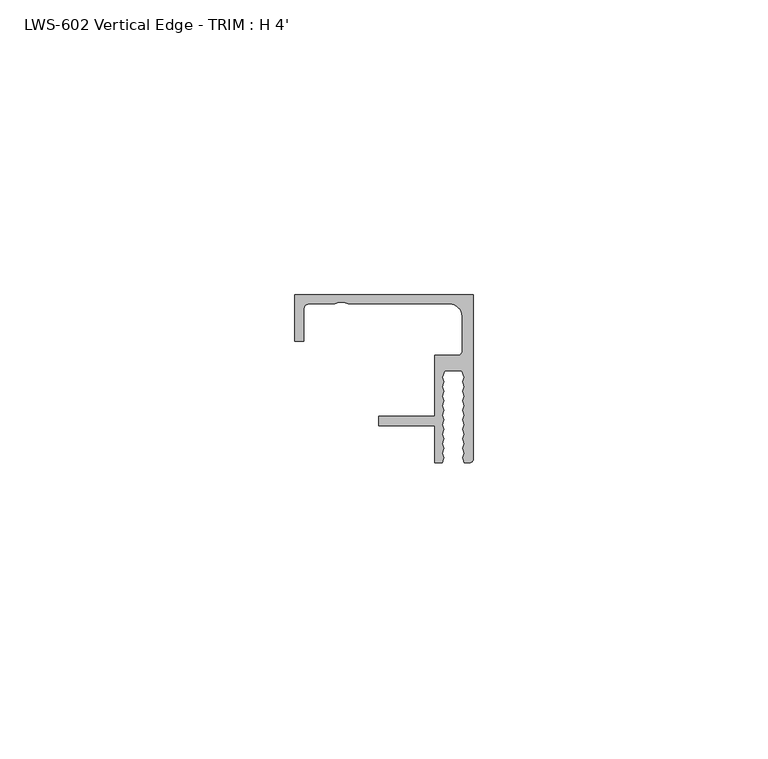
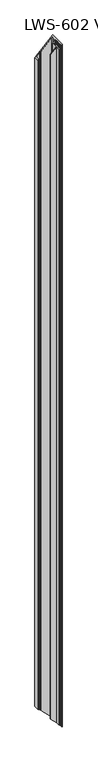
"""IFC4 building model written with IfcOpenShell, lengths in millimetres: proxy geometry, LWS-602 Vertical Edge - TRIM : H 4'."""

from ifc_helpers import new_model, si_unit, frame, origin, place, context, project, spatial, polyline, ellipse_curve, source, transform, mapped, element, save
from ifc_brep_helpers import plane_surface, cylinder_surface, revolved_surface, advanced_brep


def lws_602_vertical_edge_trim_h_4_e7298da0(model_context):
    return source(origin(), model_context, "Body", "AdvancedBrep", [
        advanced_brep(
        [(-28.7541017, -2.38252, 1190.4458983), (-28.7541017, -2.38252, 28.7541017), (-27.9590817, -1.5875, 27.9590817), (-27.9590817, -1.5875, 1191.2409183), (-23.5481533, -1.5875, 23.5481533), (-23.5481533, -1.5875, 1195.6518467), (-22.8349382, -1.2699562, 22.8349382), (-22.8349382, -1.2699562, 1196.3650618), (-21.9732651, -1.2699562, 21.9732651), (-21.9732651, -1.2699562, 1197.2267349), (-21.26005, -1.5875, 21.26005), (-21.26005, -1.5875, 1197.93995), (-4.0118983, -1.5875, 4.0118983), (-4.0118983, -1.5875, 1215.1881017), (-1.9163983, -3.683, 1.9163983), (-1.9163983, -3.683, 1217.2836017), (-1.9163983, -9.525, 1.9163983), (-1.9163983, -9.525, 1217.2836017), (-2.7114183, -10.32002, 2.7114183), (-2.7114183, -10.32002, 1216.4885817), (-6.5291017, -10.32002, 6.5291017), (-6.5291017, -10.32002, 1212.6708983), (-6.5291017, -20.6375, 6.5291017), (-6.5291017, -20.6375, 1212.6708983), (-16.0541017, -20.6375, 16.0541017), (-16.0541017, -20.6375, 1203.1458983), (-16.0541017, -22.225, 16.0541017), (-16.0541017, -22.225, 1203.1458983), (-6.5291017, -22.225, 6.5291017), (-6.5291017, -22.225, 1212.6708983), (-6.5291017, -28.575, 6.5291017), (-6.5291017, -28.575, 1212.6708983), (-5.2704999, -28.575, 5.2704999), (-5.2704999, -28.575, 1213.9295001), (-5.0164999, -27.727801, 5.0164999), (-5.0164999, -27.727801, 1214.1835001), (-5.2704999, -26.9589275, 5.2704999), (-5.2704999, -26.9589275, 1213.9295001), (-5.0164999, -26.1117286, 5.0164999), (-5.0164999, -26.1117286, 1214.1835001), (-5.2704999, -25.3428551, 5.2704999), (-5.2704999, -25.3428551, 1213.9295001), (-5.0164999, -24.4956561, 5.0164999), (-5.0164999, -24.4956561, 1214.1835001), (-5.2704999, -23.7267826, 5.2704999), (-5.2704999, -23.7267826, 1213.9295001), (-5.0164999, -22.8795836, 5.0164999), (-5.0164999, -22.8795836, 1214.1835001), (-5.2704999, -22.1107101, 5.2704999), (-5.2704999, -22.1107101, 1213.9295001), (-5.0164999, -21.2635111, 5.0164999), (-5.0164999, -21.2635111, 1214.1835001), (-5.2704999, -20.4946376, 5.2704999), (-5.2704999, -20.4946376, 1213.9295001), (-5.0164999, -19.6474387, 5.0164999), (-5.0164999, -19.6474387, 1214.1835001), (-5.2704999, -18.8785651, 5.2704999), (-5.2704999, -18.8785651, 1213.9295001), (-5.0164999, -18.0313662, 5.0164999), (-5.0164999, -18.0313662, 1214.1835001), (-5.2704999, -17.2624927, 5.2704999), (-5.2704999, -17.2624927, 1213.9295001), (-5.0164999, -16.4152937, 5.0164999), (-5.0164999, -16.4152937, 1214.1835001), (-5.2704999, -15.6464202, 5.2704999), (-5.2704999, -15.6464202, 1213.9295001), (-5.0164999, -14.7992212, 5.0164999), (-5.0164999, -14.7992212, 1214.1835001), (-5.2704999, -14.0303477, 5.2704999), (-5.2704999, -14.0303477, 1213.9295001), (-4.8894997, -12.954, 4.8894997), (-4.8894997, -12.954, 1214.3105003), (-1.9685003, -12.954, 1.9685003), (-1.9685003, -12.954, 1217.2314997), (-1.5875, -14.0303477, 1.5875), (-1.5875, -14.0303477, 1217.6125), (-1.8415, -14.7992212, 1.8415), (-1.8415, -14.7992212, 1217.3585), (-1.5875, -15.6464202, 1.5875), (-1.5875, -15.6464202, 1217.6125), (-1.8415, -16.4152937, 1.8415), (-1.8415, -16.4152937, 1217.3585), (-1.5875, -17.2624927, 1.5875), (-1.5875, -17.2624927, 1217.6125), (-1.8415, -18.0313662, 1.8415), (-1.8415, -18.0313662, 1217.3585), (-1.5875, -18.8785651, 1.5875), (-1.5875, -18.8785651, 1217.6125), (-1.8415, -19.6474387, 1.8415), (-1.8415, -19.6474387, 1217.3585), (-1.5875, -20.4946376, 1.5875), (-1.5875, -20.4946376, 1217.6125), (-1.8415, -21.2635111, 1.8415), (-1.8415, -21.2635111, 1217.3585), (-1.5875, -22.1107101, 1.5875), (-1.5875, -22.1107101, 1217.6125), (-1.8415, -22.8795836, 1.8415), (-1.8415, -22.8795836, 1217.3585), (-1.5875, -23.7267826, 1.5875), (-1.5875, -23.7267826, 1217.6125), (-1.8415, -24.4956561, 1.8415), (-1.8415, -24.4956561, 1217.3585), (-1.5875, -25.3428551, 1.5875), (-1.5875, -25.3428551, 1217.6125), (-1.8415, -26.1117286, 1.8415), (-1.8415, -26.1117286, 1217.3585), (-1.5875, -26.9589275, 1.5875), (-1.5875, -26.9589275, 1217.6125), (-1.8415, -27.727801, 1.8415), (-1.8415, -27.727801, 1217.3585), (-1.5875, -28.575, 1.5875), (-1.5875, -28.575, 1217.6125), (-0.79502, -28.575, 0.79502), (-0.79502, -28.575, 1218.40498), (0.0, -27.77998, 0.0), (0.0, -27.77998, 1219.2), (0.0, 0.0, 0.0), (0.0, 0.0, 1219.2), (-30.3416017, 0.0, 30.3416017), (-30.3416017, 0.0, 1188.8583983), (-30.3416017, -7.9375, 30.3416017), (-30.3416017, -7.9375, 1188.8583983), (-28.7541017, -7.9375, 28.7541017), (-28.7541017, -7.9375, 1190.4458983)],
        [
            (0, 1),
            (1, 2, ellipse_curve(frame((-27.9590817, -2.38252, 27.9590817), z_axis=(-0.7071067811865491, 0.0, -0.7071067811865459), x_axis=(0.707106781186546, 0.0, -0.707106781186549)), 1.1243281, 0.79502)),
            (2, 3),
            (3, 0, ellipse_curve(frame((-27.9590817, -2.38252, 1191.2409183), z_axis=(-0.7071067811865499, 0.0, 0.7071067811865452), x_axis=(-0.7071067811865454, 0.0, -0.7071067811865498)), 1.1243281, 0.79502)),
            (2, 4),
            (4, 5),
            (5, 3),
            (4, 6),
            (6, 7),
            (7, 5),
            (6, 8),
            (8, 9),
            (9, 7),
            (8, 10),
            (10, 11),
            (11, 9),
            (10, 12),
            (12, 13),
            (13, 11),
            (12, 14, ellipse_curve(frame((-4.0118983, -3.683, 4.0118983), z_axis=(-0.7071067811865491, 0.0, -0.7071067811865459), x_axis=(0.707106781186546, 0.0, -0.707106781186549)), 2.9634845, 2.0955)),
            (14, 15),
            (15, 13, ellipse_curve(frame((-4.0118983, -3.683, 1215.1881017), z_axis=(-0.7071067811865499, 0.0, 0.7071067811865452), x_axis=(-0.7071067811865454, 0.0, -0.7071067811865498)), 2.9634845, 2.0955)),
            (14, 16),
            (16, 17),
            (17, 15),
            (16, 18, ellipse_curve(frame((-2.7114183, -9.525, 2.7114183), z_axis=(-0.7071067811865491, 0.0, -0.7071067811865459), x_axis=(0.707106781186546, 0.0, -0.707106781186549)), 1.1243281, 0.79502)),
            (18, 19),
            (19, 17, ellipse_curve(frame((-2.7114183, -9.525, 1216.4885817), z_axis=(-0.7071067811865499, 0.0, 0.7071067811865452), x_axis=(-0.7071067811865454, 0.0, -0.7071067811865498)), 1.1243281, 0.79502)),
            (18, 20),
            (20, 21),
            (21, 19),
            (20, 22),
            (22, 23),
            (23, 21),
            (22, 24),
            (24, 25),
            (25, 23),
            (24, 26),
            (26, 27),
            (27, 25),
            (26, 28),
            (28, 29),
            (29, 27),
            (28, 30),
            (30, 31),
            (31, 29),
            (30, 32),
            (32, 33),
            (33, 31),
            (32, 34),
            (34, 35),
            (35, 33),
            (34, 36),
            (36, 37),
            (37, 35),
            (36, 38),
            (38, 39),
            (39, 37),
            (38, 40),
            (40, 41),
            (41, 39),
            (40, 42),
            (42, 43),
            (43, 41),
            (42, 44),
            (44, 45),
            (45, 43),
            (44, 46),
            (46, 47),
            (47, 45),
            (46, 48),
            (48, 49),
            (49, 47),
            (48, 50),
            (50, 51),
            (51, 49),
            (50, 52),
            (52, 53),
            (53, 51),
            (52, 54),
            (54, 55),
            (55, 53),
            (54, 56),
            (56, 57),
            (57, 55),
            (56, 58),
            (58, 59),
            (59, 57),
            (58, 60),
            (60, 61),
            (61, 59),
            (60, 62),
            (62, 63),
            (63, 61),
            (62, 64),
            (64, 65),
            (65, 63),
            (64, 66),
            (66, 67),
            (67, 65),
            (66, 68),
            (68, 69),
            (69, 67),
            (68, 70),
            (70, 71),
            (71, 69),
            (70, 72),
            (72, 73),
            (73, 71),
            (72, 74),
            (74, 75),
            (75, 73),
            (74, 76),
            (76, 77),
            (77, 75),
            (76, 78),
            (78, 79),
            (79, 77),
            (78, 80),
            (80, 81),
            (81, 79),
            (80, 82),
            (82, 83),
            (83, 81),
            (82, 84),
            (84, 85),
            (85, 83),
            (84, 86),
            (86, 87),
            (87, 85),
            (86, 88),
            (88, 89),
            (89, 87),
            (88, 90),
            (90, 91),
            (91, 89),
            (90, 92),
            (92, 93),
            (93, 91),
            (92, 94),
            (94, 95),
            (95, 93),
            (94, 96),
            (96, 97),
            (97, 95),
            (96, 98),
            (98, 99),
            (99, 97),
            (98, 100),
            (100, 101),
            (101, 99),
            (100, 102),
            (102, 103),
            (103, 101),
            (102, 104),
            (104, 105),
            (105, 103),
            (104, 106),
            (106, 107),
            (107, 105),
            (106, 108),
            (108, 109),
            (109, 107),
            (108, 110),
            (110, 111),
            (111, 109),
            (110, 112),
            (112, 113),
            (113, 111),
            (114, 115),
            (115, 113, ellipse_curve(frame((-0.79502, -27.77998, 1218.40498), z_axis=(0.7071067811865499, 0.0, -0.7071067811865452), x_axis=(0.7071067811865454, 0.0, 0.7071067811865498)), 1.1243281, 0.79502)),
            (112, 114, ellipse_curve(frame((-0.79502, -27.77998, 0.79502), z_axis=(0.7071067811865491, 0.0, 0.7071067811865459), x_axis=(-0.707106781186546, 0.0, 0.707106781186549)), 1.1243281, 0.79502)),
            (114, 116),
            (116, 117),
            (117, 115),
            (116, 118),
            (118, 119),
            (119, 117),
            (118, 120),
            (120, 121),
            (121, 119),
            (120, 122),
            (122, 123),
            (123, 121),
            (0, 123),
            (122, 1),
        ],
        [
            revolved_surface(polyline([(-27.9590817, -3.17754, 27.16406167621141), (-27.9590817, -3.17754, 1192.0359383237885)]), (-27.9590817, -2.38252, 0.0), (0.0, 0.0, -1.0)),
            plane_surface(frame((-27.9590817, -1.5875, 1219.2), z_axis=(0.0, -1.0, 0.0), x_axis=(0.0, 0.0, -1.0))),
            plane_surface(frame((-23.5481533, -1.5875, 1219.2), z_axis=(0.40673664307580587, -0.9135454576425984, 0.0), x_axis=(0.0, 0.0, -1.0))),
            plane_surface(frame((-22.8349382, -1.2699562, 1219.2), z_axis=(0.0, -1.0, 0.0), x_axis=(0.0, 0.0, -1.0))),
            plane_surface(frame((-21.9732651, -1.2699562, 1219.2), z_axis=(-0.4067366430757954, -0.9135454576426031, 0.0), x_axis=(0.0, 0.0, -1.0))),
            plane_surface(frame((-21.26005, -1.5875, 1219.2), z_axis=(0.0, -1.0, 0.0), x_axis=(0.0, 0.0, -1.0))),
            revolved_surface(polyline([(-4.0118983, -5.778499999999999, 1.9163983), (-4.0118983, -5.778499999999999, 1217.2836017)]), (-4.0118983, -3.683, 0.0), (0.0, 0.0, -1.0)),
            plane_surface(frame((-1.9163983, -3.683, 1219.2), z_axis=(-1.0, 0.0, 0.0), x_axis=(0.0, 0.0, -1.0))),
            revolved_surface(polyline([(-2.7114183, -10.32002, 1.9163982762114116), (-2.7114183, -10.32002, 1217.2836017237885)]), (-2.7114183, -9.525, 0.0), (0.0, 0.0, -1.0)),
            plane_surface(frame((-2.7114183, -10.32002, 1219.2), z_axis=(0.0, 1.0, 0.0), x_axis=(0.0, 0.0, -1.0))),
            plane_surface(frame((-6.5291017, -10.32002, 1219.2), z_axis=(-1.0, 0.0, 0.0), x_axis=(0.0, 0.0, -1.0))),
            plane_surface(frame((-6.5291017, -20.6375, 1219.2), z_axis=(0.0, 1.0, 0.0), x_axis=(0.0, 0.0, -1.0))),
            plane_surface(frame((-16.0541017, -20.6375, 1219.2), z_axis=(-1.0, 0.0, 0.0), x_axis=(0.0, 0.0, -1.0))),
            plane_surface(frame((-16.0541017, -22.225, 1219.2), z_axis=(0.0, -1.0, 0.0), x_axis=(0.0, 0.0, -1.0))),
            plane_surface(frame((-6.5291017, -22.225, 1219.2), z_axis=(-1.0, 0.0, 0.0), x_axis=(0.0, 0.0, -1.0))),
            plane_surface(frame((-6.5291017, -28.575, 1219.2), z_axis=(0.0, -1.0, 0.0), x_axis=(0.0, 0.0, -1.0))),
            plane_surface(frame((-5.2704999, -28.575, 1219.2), z_axis=(0.957875962978806, -0.287182241002861, 0.0), x_axis=(0.0, 0.0, -1.0))),
            plane_surface(frame((-5.0164999, -27.727801, 1219.2), z_axis=(0.949528731650732, 0.3136800723185204, 0.0), x_axis=(0.0, 0.0, -1.0))),
            plane_surface(frame((-5.2704999, -26.9589275, 1219.2), z_axis=(0.957875962978805, -0.28718224100286405, 0.0), x_axis=(0.0, 0.0, -1.0))),
            plane_surface(frame((-5.0164999, -26.1117286, 1219.2), z_axis=(0.9495287316507326, 0.3136800723185187, 0.0), x_axis=(0.0, 0.0, -1.0))),
            plane_surface(frame((-5.2704999, -25.3428551, 1219.2), z_axis=(0.9578759629788051, -0.287182241002864, 0.0), x_axis=(0.0, 0.0, -1.0))),
            plane_surface(frame((-5.0164999, -24.4956561, 1219.2), z_axis=(0.9495287316507325, 0.31368007231851897, 0.0), x_axis=(0.0, 0.0, -1.0))),
            plane_surface(frame((-5.2704999, -23.7267826, 1219.2), z_axis=(0.9578759629788056, -0.28718224100286194, 0.0), x_axis=(0.0, 0.0, -1.0))),
            plane_surface(frame((-5.0164999, -22.8795836, 1219.2), z_axis=(0.9495287316507326, 0.3136800723185189, 0.0), x_axis=(0.0, 0.0, -1.0))),
            plane_surface(frame((-5.2704999, -22.1107101, 1219.2), z_axis=(0.9578759629788056, -0.2871822410028619, 0.0), x_axis=(0.0, 0.0, -1.0))),
            plane_surface(frame((-5.0164999, -21.2635111, 1219.2), z_axis=(0.9495287316507327, 0.3136800723185185, 0.0), x_axis=(0.0, 0.0, -1.0))),
            plane_surface(frame((-5.2704999, -20.4946376, 1219.2), z_axis=(0.9578759629788056, -0.2871822410028621, 0.0), x_axis=(0.0, 0.0, -1.0))),
            plane_surface(frame((-5.0164999, -19.6474387, 1219.2), z_axis=(0.9495287316507324, 0.31368007231851935, 0.0), x_axis=(0.0, 0.0, -1.0))),
            plane_surface(frame((-5.2704999, -18.8785651, 1219.2), z_axis=(0.9578759629788055, -0.28718224100286227, 0.0), x_axis=(0.0, 0.0, -1.0))),
            plane_surface(frame((-5.0164999, -18.0313662, 1219.2), z_axis=(0.9495287316507325, 0.3136800723185189, 0.0), x_axis=(0.0, 0.0, -1.0))),
            plane_surface(frame((-5.2704999, -17.2624927, 1219.2), z_axis=(0.9578759629788055, -0.2871822410028625, 0.0), x_axis=(0.0, 0.0, -1.0))),
            plane_surface(frame((-5.0164999, -16.4152937, 1219.2), z_axis=(0.9495287316507325, 0.313680072318519, 0.0), x_axis=(0.0, 0.0, -1.0))),
            plane_surface(frame((-5.2704999, -15.6464202, 1219.2), z_axis=(0.9578759629788056, -0.28718224100286194, 0.0), x_axis=(0.0, 0.0, -1.0))),
            plane_surface(frame((-5.0164999, -14.7992212, 1219.2), z_axis=(0.9495287316507324, 0.3136800723185193, 0.0), x_axis=(0.0, 0.0, -1.0))),
            plane_surface(frame((-5.2704999, -14.0303477, 1219.2), z_axis=(0.9426840486106628, -0.33368665615365817, 0.0), x_axis=(0.0, 0.0, -1.0))),
            plane_surface(frame((-4.8894997, -12.954, 1219.2), z_axis=(0.0, -1.0, 0.0), x_axis=(0.0, 0.0, -1.0))),
            plane_surface(frame((-1.9685003, -12.954, 1219.2), z_axis=(-0.9426840486106589, -0.33368665615366894, 0.0), x_axis=(0.0, 0.0, -1.0))),
            plane_surface(frame((-1.5875, -14.0303477, 1219.2), z_axis=(-0.949528731650736, 0.3136800723185085, 0.0), x_axis=(0.0, 0.0, -1.0))),
            plane_surface(frame((-1.8415, -14.7992212, 1219.2), z_axis=(-0.9578759629788021, -0.2871822410028738, 0.0), x_axis=(0.0, 0.0, -1.0))),
            plane_surface(frame((-1.5875, -15.6464202, 1219.2), z_axis=(-0.9495287316507361, 0.3136800723185079, 0.0), x_axis=(0.0, 0.0, -1.0))),
            plane_surface(frame((-1.8415, -16.4152937, 1219.2), z_axis=(-0.957875962978802, -0.287182241002874, 0.0), x_axis=(0.0, 0.0, -1.0))),
            plane_surface(frame((-1.5875, -17.2624927, 1219.2), z_axis=(-0.9495287316507361, 0.31368007231850814, 0.0), x_axis=(0.0, 0.0, -1.0))),
            plane_surface(frame((-1.8415, -18.0313662, 1219.2), z_axis=(-0.9578759629788023, -0.28718224100287315, 0.0), x_axis=(0.0, 0.0, -1.0))),
            plane_surface(frame((-1.5875, -18.8785651, 1219.2), z_axis=(-0.9495287316507365, 0.3136800723185067, 0.0), x_axis=(0.0, 0.0, -1.0))),
            plane_surface(frame((-1.8415, -19.6474387, 1219.2), z_axis=(-0.9578759629788021, -0.28718224100287376, 0.0), x_axis=(0.0, 0.0, -1.0))),
            plane_surface(frame((-1.5875, -20.4946376, 1219.2), z_axis=(-0.9495287316507366, 0.31368007231850686, 0.0), x_axis=(0.0, 0.0, -1.0))),
            plane_surface(frame((-1.8415, -21.2635111, 1219.2), z_axis=(-0.9578759629788023, -0.28718224100287315, 0.0), x_axis=(0.0, 0.0, -1.0))),
            plane_surface(frame((-1.5875, -22.1107101, 1219.2), z_axis=(-0.9495287316507366, 0.3136800723185066, 0.0), x_axis=(0.0, 0.0, -1.0))),
            plane_surface(frame((-1.8415, -22.8795836, 1219.2), z_axis=(-0.9578759629788021, -0.2871822410028737, 0.0), x_axis=(0.0, 0.0, -1.0))),
            plane_surface(frame((-1.5875, -23.7267826, 1219.2), z_axis=(-0.9495287316507365, 0.31368007231850675, 0.0), x_axis=(0.0, 0.0, -1.0))),
            plane_surface(frame((-1.8415, -24.4956561, 1219.2), z_axis=(-0.9578759629788022, -0.2871822410028735, 0.0), x_axis=(0.0, 0.0, -1.0))),
            plane_surface(frame((-1.5875, -25.3428551, 1219.2), z_axis=(-0.9495287316507365, 0.313680072318507, 0.0), x_axis=(0.0, 0.0, -1.0))),
            plane_surface(frame((-1.8415, -26.1117286, 1219.2), z_axis=(-0.957875962978802, -0.287182241002874, 0.0), x_axis=(0.0, 0.0, -1.0))),
            plane_surface(frame((-1.5875, -26.9589275, 1219.2), z_axis=(-0.9495287316507365, 0.313680072318507, 0.0), x_axis=(0.0, 0.0, -1.0))),
            plane_surface(frame((-1.8415, -27.727801, 1219.2), z_axis=(-0.9578759629788021, -0.28718224100287365, 0.0), x_axis=(0.0, 0.0, -1.0))),
            plane_surface(frame((-1.5875, -28.575, 1219.2), z_axis=(0.0, -1.0, 0.0), x_axis=(0.0, 0.0, -1.0))),
            cylinder_surface(frame((-0.79502, -27.77998, 0.0), z_axis=(0.0, 0.0, 1.0), x_axis=(0.0, -1.0, 0.0)), 0.79502),
            plane_surface(frame((0.0, -27.77998, 1219.2), z_axis=(1.0, 0.0, 0.0), x_axis=(0.0, 0.0, -1.0))),
            plane_surface(frame((0.0, 0.0, 1219.2), z_axis=(0.0, 1.0, 0.0), x_axis=(0.0, 0.0, -1.0))),
            plane_surface(frame((-30.3416017, 0.0, 1219.2), z_axis=(-1.0, 0.0, 0.0), x_axis=(0.0, 0.0, -1.0))),
            plane_surface(frame((-30.3416017, -7.9375, 1219.2), z_axis=(0.0, -1.0, 0.0), x_axis=(0.0, 0.0, -1.0))),
            plane_surface(frame((-28.7541017, -7.9375, 1219.2), z_axis=(1.0, 0.0, 0.0), x_axis=(0.0, 0.0, -1.0))),
            plane_surface(frame((-30.3416017, -30.6440911, 1188.8583983), z_axis=(-0.7071067811865499, 0.0, 0.7071067811865452), x_axis=(0.0, 1.0, 0.0))),
            plane_surface(frame((0.0, -30.6440911, 0.0), z_axis=(-0.7071067811865491, 0.0, -0.7071067811865459), x_axis=(0.0, 1.0, 0.0))),
        ],
        [
            (0, [[1, 2, 3, 4]]),
            (1, [[-3, 5, 6, 7]]),
            (2, [[-6, 8, 9, 10]]),
            (3, [[-9, 11, 12, 13]]),
            (4, [[-12, 14, 15, 16]]),
            (5, [[-15, 17, 18, 19]]),
            (6, [[-18, 20, 21, 22]]),
            (7, [[-21, 23, 24, 25]]),
            (8, [[-24, 26, 27, 28]]),
            (9, [[-27, 29, 30, 31]]),
            (10, [[-30, 32, 33, 34]]),
            (11, [[-33, 35, 36, 37]]),
            (12, [[-36, 38, 39, 40]]),
            (13, [[-39, 41, 42, 43]]),
            (14, [[-42, 44, 45, 46]]),
            (15, [[-45, 47, 48, 49]]),
            (16, [[-48, 50, 51, 52]]),
            (17, [[-51, 53, 54, 55]]),
            (18, [[-54, 56, 57, 58]]),
            (19, [[-57, 59, 60, 61]]),
            (20, [[-60, 62, 63, 64]]),
            (21, [[-63, 65, 66, 67]]),
            (22, [[-66, 68, 69, 70]]),
            (23, [[-69, 71, 72, 73]]),
            (24, [[-72, 74, 75, 76]]),
            (25, [[-75, 77, 78, 79]]),
            (26, [[-78, 80, 81, 82]]),
            (27, [[-81, 83, 84, 85]]),
            (28, [[-84, 86, 87, 88]]),
            (29, [[-87, 89, 90, 91]]),
            (30, [[-90, 92, 93, 94]]),
            (31, [[-93, 95, 96, 97]]),
            (32, [[-96, 98, 99, 100]]),
            (33, [[-99, 101, 102, 103]]),
            (34, [[-102, 104, 105, 106]]),
            (35, [[-105, 107, 108, 109]]),
            (36, [[-108, 110, 111, 112]]),
            (37, [[-111, 113, 114, 115]]),
            (38, [[-114, 116, 117, 118]]),
            (39, [[-117, 119, 120, 121]]),
            (40, [[-120, 122, 123, 124]]),
            (41, [[-123, 125, 126, 127]]),
            (42, [[-126, 128, 129, 130]]),
            (43, [[-129, 131, 132, 133]]),
            (44, [[-132, 134, 135, 136]]),
            (45, [[-135, 137, 138, 139]]),
            (46, [[-138, 140, 141, 142]]),
            (47, [[-141, 143, 144, 145]]),
            (48, [[-144, 146, 147, 148]]),
            (49, [[-147, 149, 150, 151]]),
            (50, [[-150, 152, 153, 154]]),
            (51, [[-153, 155, 156, 157]]),
            (52, [[-156, 158, 159, 160]]),
            (53, [[-159, 161, 162, 163]]),
            (54, [[-162, 164, 165, 166]]),
            (55, [[-165, 167, 168, 169]]),
            (56, [[170, 171, -168, 172]]),
            (57, [[-170, 173, 174, 175]]),
            (58, [[-174, 176, 177, 178]]),
            (59, [[-177, 179, 180, 181]]),
            (60, [[-180, 182, 183, 184]]),
            (61, [[-1, 185, -183, 186]]),
            (62, [[-4, -7, -10, -13, -16, -19, -22, -25, -28, -31, -34, -37, -40, -43, -46, -49, -52, -55, -58, -61, -64, -67, -70, -73, -76, -79, -82, -85, -88, -91, -94, -97, -100, -103, -106, -109, -112, -115, -118, -121, -124, -127, -130, -133, -136, -139, -142, -145, -148, -151, -154, -157, -160, -163, -166, -169, -171, -175, -178, -181, -184, -185]]),
            (63, [[-2, -186, -182, -179, -176, -173, -172, -167, -164, -161, -158, -155, -152, -149, -146, -143, -140, -137, -134, -131, -128, -125, -122, -119, -116, -113, -110, -107, -104, -101, -98, -95, -92, -89, -86, -83, -80, -77, -74, -71, -68, -65, -62, -59, -56, -53, -50, -47, -44, -41, -38, -35, -32, -29, -26, -23, -20, -17, -14, -11, -8, -5]]),
        ],
    ),
    ])


if __name__ == "__main__":
    model = new_model("IFC4")
    model_context = context("Model", 3, world=origin())
    ifc_project = project(units=[si_unit("LENGTHUNIT", "METRE", prefix="MILLI")], contexts=[model_context])
    site = spatial("IfcSite", under=ifc_project)
    building = spatial("IfcBuilding", under=site)
    placement = place(None, origin())
    lws_602_vertical_edge_trim_h_4_shape = lws_602_vertical_edge_trim_h_4_e7298da0(model_context)
    element("IfcBuildingElementProxy", 1, Name="LWS-602 Vertical Edge - TRIM : H 4'", ObjectType="LWS-602 Vertical Edge - TRIM : H 4'", at=placement, inside=building, context=model_context, shape_type="MappedRepresentation", body=[
        mapped(lws_602_vertical_edge_trim_h_4_shape, transform((0.0, 0.0, 0.0), x_axis=(1.0, 0.0, 0.0), y_axis=(0.0, 1.0, 0.0), z_axis=(0.0, 0.0, 1.0))),
    ])
    save(model, "model.ifc")
